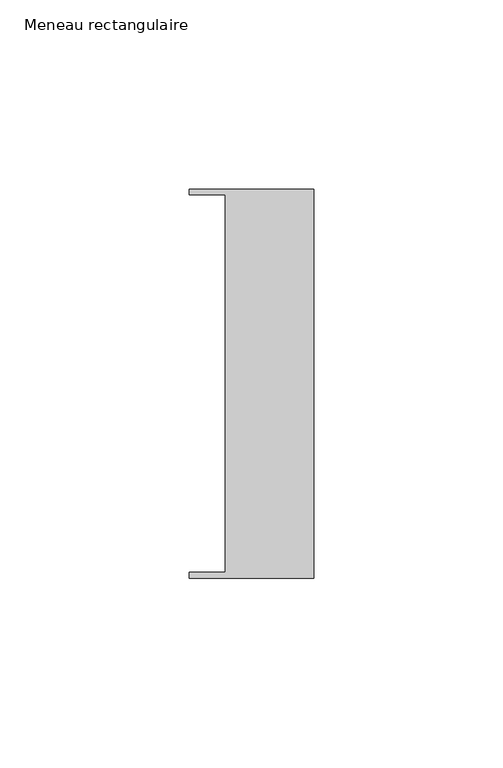
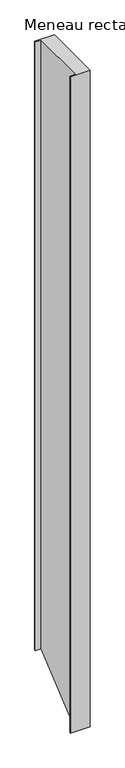
"""IFC4 building model written with IfcOpenShell, lengths in millimetres: member geometry, Meneau rectangulaire."""

from ifc_helpers import new_model, si_unit, origin, place, context, project, spatial, faceted_brep, source, transform, mapped, element, save


def meneau_rectangulaire_65e61f08(model_context):
    return source(origin(), model_context, "Body", "Brep", [
        faceted_brep([(-33.0, 51.4622428, 0.0), (-33.0, 49.9614402, 0.0), (-23.4, 49.9614402, 0.0), (-23.4, -49.9505712, 0.0), (-33.0, -49.9505712, 0.0), (-33.0, -51.4712299, 0.0), (0.0, -51.4712299, 0.0), (0.0, 51.4622428, 0.0), (-23.4, 49.9614402, -1073.1689278), (-23.4, -49.9505712, -1155.5300342), (-33.0, -51.4712299, -1156.7835685), (0.0, -51.4712299, -1156.7835685), (0.0, 51.4622428, -1071.9317617), (-33.0, 51.4622428, -1071.9317617), (-33.0, -49.9505712, -1155.5300342), (-33.0, 49.9614402, -1073.1689278)], [[[0, 1, 2, 3, 4, 5, 6, 7]], [[3, 2, 8, 9]], [[6, 5, 10, 11]], [[7, 6, 11, 12]], [[0, 7, 12, 13]], [[13, 12, 11, 10, 14, 9, 8, 15]], [[1, 0, 13, 15]], [[2, 1, 15, 8]], [[4, 3, 9, 14]], [[5, 4, 14, 10]]]),
    ])


if __name__ == "__main__":
    model = new_model("IFC4")
    model_context = context("Model", 3, world=origin())
    ifc_project = project(units=[si_unit("LENGTHUNIT", "METRE", prefix="MILLI")], contexts=[model_context])
    site = spatial("IfcSite", under=ifc_project)
    building = spatial("IfcBuilding", under=site)
    placement = place(None, origin())
    meneau_rectangulaire_shape = meneau_rectangulaire_65e61f08(model_context)
    element("IfcMember", 1, ObjectType="Meneau rectangulaire", at=placement, inside=building, context=model_context, shape_type="MappedRepresentation", body=[
        mapped(meneau_rectangulaire_shape, transform((0.0, 0.0, 0.0), x_axis=(1.0, 0.0, 0.0), y_axis=(0.0, 1.0, 0.0), z_axis=(0.0, 0.0, 1.0))),
    ])
    save(model, "model.ifc")
